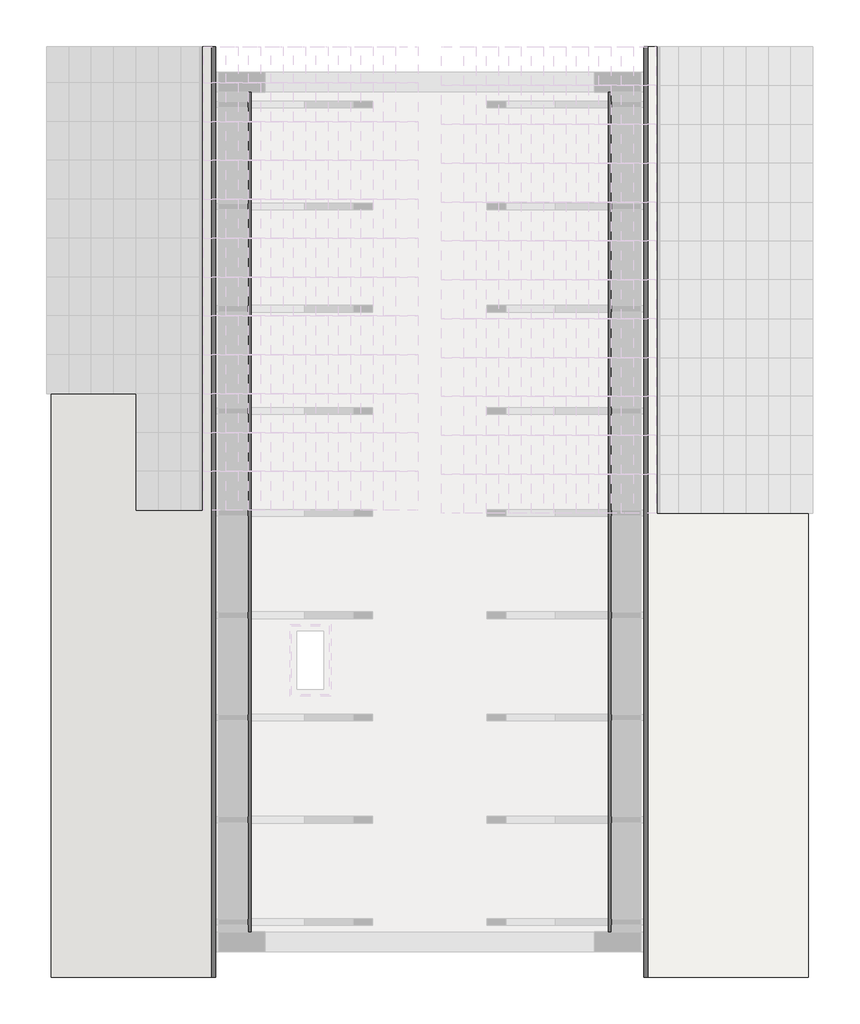
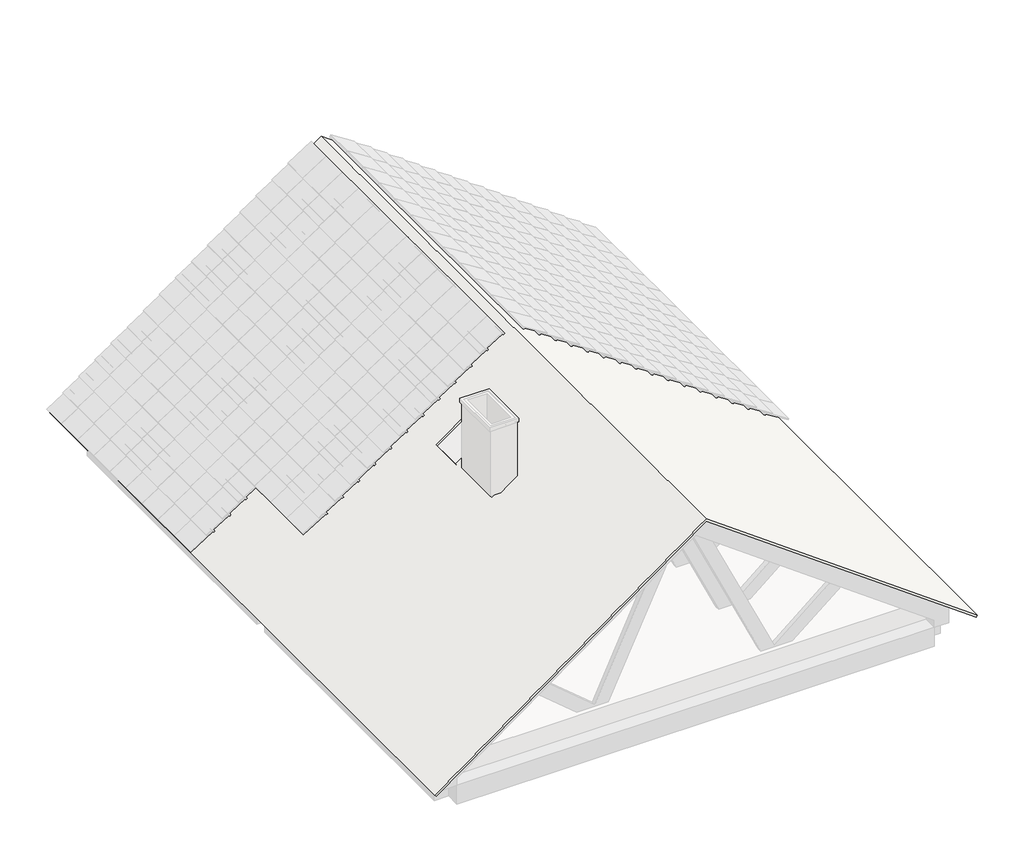
# One storey, part 7 of 9: 2 roofs.
"""IFC4 building model written with IfcOpenShell, lengths in millimetres."""

from ifc_helpers import new_model, si_unit, origin, place, context, project, spatial, faceted_brep, element, save

model = new_model("IFC4")

# Units and contexts
model_context = context("Model", 3, world=origin())
ifc_project = project(units=[si_unit("LENGTHUNIT", "METRE", prefix="MILLI")], contexts=[model_context])

# Site, building, storey
site = spatial("IfcSite", under=ifc_project)
building = spatial("IfcBuilding", under=site)
storey = spatial("IfcBuildingStorey", under=building, Elevation=5669.9999999)

# Roofs
placement = place(None, origin())
element("IfcRoof", 1, at=placement, inside=storey, context=model_context, shape_type="Brep", body=[
    faceted_brep([(2362.0727507, -3889.715237, 5669.9999999), (2362.0727507, -3889.715237, 5863.475928), (-657.9272493, -3889.715237, 8057.6343625), (-3677.9272493, -3889.715237, 5863.475928), (-3677.9272493, -3889.715237, 5669.9999999), (-3662.9272493, -3889.715237, 5669.9999999), (-3662.9272493, -3889.715237, 5855.8330462), (-3657.9272493, -3889.715237, 5859.4657589), (-3574.6090144, -3889.715237, 5919.9999999), (-657.9272493, -3889.715237, 8039.0933429), (2258.7545158, -3889.715237, 5919.9999999), (2342.0727507, -3889.715237, 5859.4657589), (2347.0727507, -3889.715237, 5855.8330462), (2347.0727507, -3889.715237, 5669.9999999), (2362.0727507, 3670.284763, 5863.475928), (2362.0727507, 3670.284763, 5669.9999999), (2347.0727507, 3670.284763, 5669.9999999), (2347.0727507, 3670.284763, 5855.8330462), (2342.0727507, 3670.284763, 5859.4657589), (2258.7545158, 3670.284763, 5919.9999999), (-657.9272493, 3670.284763, 8039.0933429), (-3574.6090144, 3670.284763, 5919.9999999), (-3657.9272493, 3670.284763, 5859.4657589), (-3662.9272493, 3670.284763, 5855.8330462), (-3662.9272493, 3670.284763, 5669.9999999), (-3677.9272493, 3670.284763, 5669.9999999), (-3677.9272493, 3670.284763, 5863.475928), (-657.9272493, 3670.284763, 8057.6343625), (2362.0727507, 3590.284763, 5863.475928), (2362.0727507, 3590.284763, 5729.9999999), (2362.0727507, 3530.284763, 5729.9999999), (2362.0727507, 3530.284763, 5863.475928), (2362.0727507, 2670.284763, 5863.475928), (2362.0727507, 2670.284763, 5729.9999999), (2362.0727507, 2610.284763, 5729.9999999), (2362.0727507, 2610.284763, 5863.475928), (2362.0727507, 1750.284763, 5863.475928), (2362.0727507, 1750.284763, 5729.9999999), (2362.0727507, 1690.284763, 5729.9999999), (2362.0727507, 1690.284763, 5863.475928), (2362.0727507, 830.284763, 5863.475928), (2362.0727507, 830.284763, 5729.9999999), (2362.0727507, 770.284763, 5729.9999999), (2362.0727507, 770.284763, 5863.475928), (2362.0727507, -89.715237, 5863.475928), (2362.0727507, -89.715237, 5729.9999999), (2362.0727507, -149.715237, 5729.9999999), (2362.0727507, -149.715237, 5863.475928), (2362.0727507, -1009.715237, 5863.475928), (2362.0727507, -1009.715237, 5729.9999999), (2362.0727507, -1069.715237, 5729.9999999), (2362.0727507, -1069.715237, 5863.475928), (2362.0727507, -1929.715237, 5863.475928), (2362.0727507, -1929.715237, 5729.9999999), (2362.0727507, -1989.715237, 5729.9999999), (2362.0727507, -1989.715237, 5863.475928), (2362.0727507, -2849.715237, 5863.475928), (2362.0727507, -2849.715237, 5729.9999999), (2362.0727507, -2909.715237, 5729.9999999), (2362.0727507, -2909.715237, 5863.475928), (2362.0727507, -3769.715237, 5863.475928), (2362.0727507, -3769.715237, 5729.9999999), (2362.0727507, -3829.715237, 5729.9999999), (2362.0727507, -3829.715237, 5863.475928), (2325.5654977, -3829.715237, 5889.9999999), (2325.5654977, -3769.715237, 5889.9999999), (2325.5654977, -2909.715237, 5889.9999999), (2325.5654977, -2849.715237, 5889.9999999), (2325.5654977, -1989.715237, 5889.9999999), (2325.5654977, -1929.715237, 5889.9999999), (2325.5654977, -1069.715237, 5889.9999999), (2325.5654977, -1009.715237, 5889.9999999), (2325.5654977, -149.715237, 5889.9999999), (2325.5654977, -89.715237, 5889.9999999), (2325.5654977, 770.284763, 5889.9999999), (2325.5654977, 830.284763, 5889.9999999), (2325.5654977, 1690.284763, 5889.9999999), (2325.5654977, 1750.284763, 5889.9999999), (2325.5654977, 2610.284763, 5889.9999999), (2325.5654977, 2670.284763, 5889.9999999), (2325.5654977, 3530.284763, 5889.9999999), (2325.5654977, 3590.284763, 5889.9999999), (-657.9272493, 3590.284763, 8057.6343625), (-453.6400094, 3590.284763, 7909.2109948), (-453.6400094, 3530.284763, 7909.2109948), (-657.9272493, 3530.284763, 8057.6343625), (-657.9272493, 2670.284763, 8057.6343625), (-453.6400094, 2670.284763, 7909.2109948), (-453.6400094, 2610.284763, 7909.2109948), (-657.9272493, 2610.284763, 8057.6343625), (-657.9272493, 1750.284763, 8057.6343625), (-453.6400094, 1750.284763, 7909.2109948), (-453.6400094, 1690.284763, 7909.2109948), (-657.9272493, 1690.284763, 8057.6343625), (-657.9272493, 830.284763, 8057.6343625), (-453.6400094, 830.284763, 7909.2109948), (-453.6400094, 770.284763, 7909.2109948), (-657.9272493, 770.284763, 8057.6343625), (-657.9272493, -89.715237, 8057.6343625), (-453.6400094, -89.715237, 7909.2109948), (-453.6400094, -149.715237, 7909.2109948), (-657.9272493, -149.715237, 8057.6343625), (-657.9272493, -1009.715237, 8057.6343625), (-453.6400094, -1009.715237, 7909.2109948), (-453.6400094, -1069.715237, 7909.2109948), (-657.9272493, -1069.715237, 8057.6343625), (-657.9272493, -1929.715237, 8057.6343625), (-453.6400094, -1929.715237, 7909.2109948), (-453.6400094, -1989.715237, 7909.2109948), (-657.9272493, -1989.715237, 8057.6343625), (-657.9272493, -2849.715237, 8057.6343625), (-453.6400094, -2849.715237, 7909.2109948), (-453.6400094, -2909.715237, 7909.2109948), (-657.9272493, -2909.715237, 8057.6343625), (-657.9272493, -3769.715237, 8057.6343625), (-453.6400094, -3769.715237, 7909.2109948), (-453.6400094, -3829.715237, 7909.2109948), (-657.9272493, -3829.715237, 8057.6343625), (1433.9232753, -2909.715237, 6537.8159942), (1300.5175785, -2909.715237, 6634.7409064), (1300.5175785, -2849.715237, 6634.7409064), (1433.9232753, -2849.715237, 6537.8159942), (1433.9232753, -3829.715237, 6537.8159942), (1300.5175785, -3829.715237, 6634.7409064), (1300.5175785, -3769.715237, 6634.7409064), (1433.9232753, -3769.715237, 6537.8159942), (1433.9232753, -1989.715237, 6537.8159942), (1300.5175785, -1989.715237, 6634.7409064), (1300.5175785, -1929.715237, 6634.7409064), (1433.9232753, -1929.715237, 6537.8159942), (1433.9232753, -1069.715237, 6537.8159942), (1300.5175785, -1069.715237, 6634.7409064), (1300.5175785, -1009.715237, 6634.7409064), (1433.9232753, -1009.715237, 6537.8159942), (1433.9232753, -149.715237, 6537.8159942), (1300.5175785, -149.715237, 6634.7409064), (1300.5175785, -89.715237, 6634.7409064), (1433.9232753, -89.715237, 6537.8159942), (1433.9232753, 770.284763, 6537.8159942), (1300.5175785, 770.284763, 6634.7409064), (1300.5175785, 830.284763, 6634.7409064), (1433.9232753, 830.284763, 6537.8159942), (1433.9232753, 1690.284763, 6537.8159942), (1300.5175785, 1690.284763, 6634.7409064), (1300.5175785, 1750.284763, 6634.7409064), (1433.9232753, 1750.284763, 6537.8159942), (1433.9232753, 2610.284763, 6537.8159942), (1300.5175785, 2610.284763, 6634.7409064), (1300.5175785, 2670.284763, 6634.7409064), (1433.9232753, 2670.284763, 6537.8159942), (1433.9232753, 3530.284763, 6537.8159942), (1300.5175785, 3530.284763, 6634.7409064), (1300.5175785, 3590.284763, 6634.7409064), (1433.9232753, 3590.284763, 6537.8159942), (-862.2144892, -3829.715237, 7909.2109948), (-862.2144892, -3769.715237, 7909.2109948), (-862.2144892, -2909.715237, 7909.2109948), (-862.2144892, -2849.715237, 7909.2109948), (-862.2144892, -1989.715237, 7909.2109948), (-862.2144892, -1929.715237, 7909.2109948), (-862.2144892, -1069.715237, 7909.2109948), (-862.2144892, -1009.715237, 7909.2109948), (-862.2144892, -149.715237, 7909.2109948), (-862.2144892, -89.715237, 7909.2109948), (-862.2144892, 770.284763, 7909.2109948), (-862.2144892, 830.284763, 7909.2109948), (-862.2144892, 1690.284763, 7909.2109948), (-862.2144892, 1750.284763, 7909.2109948), (-862.2144892, 2610.284763, 7909.2109948), (-862.2144892, 2670.284763, 7909.2109948), (-862.2144892, 3530.284763, 7909.2109948), (-862.2144892, 3590.284763, 7909.2109948), (-3677.9272493, 3590.284763, 5863.475928), (-3641.4199962, 3590.284763, 5889.9999999), (-3641.4199962, 3530.284763, 5889.9999999), (-3677.9272493, 3530.284763, 5863.475928), (-3677.9272493, 2670.284763, 5863.475928), (-3641.4199962, 2670.284763, 5889.9999999), (-3641.4199962, 2610.284763, 5889.9999999), (-3677.9272493, 2610.284763, 5863.475928), (-3677.9272493, 1750.284763, 5863.475928), (-3641.4199962, 1750.284763, 5889.9999999), (-3641.4199962, 1690.284763, 5889.9999999), (-3677.9272493, 1690.284763, 5863.475928), (-3677.9272493, 830.284763, 5863.475928), (-3641.4199962, 830.284763, 5889.9999999), (-3641.4199962, 770.284763, 5889.9999999), (-3677.9272493, 770.284763, 5863.475928), (-3677.9272493, -89.715237, 5863.475928), (-3641.4199962, -89.715237, 5889.9999999), (-3641.4199962, -149.715237, 5889.9999999), (-3677.9272493, -149.715237, 5863.475928), (-3677.9272493, -1009.715237, 5863.475928), (-3641.4199962, -1009.715237, 5889.9999999), (-3641.4199962, -1069.715237, 5889.9999999), (-3677.9272493, -1069.715237, 5863.475928), (-3677.9272493, -1929.715237, 5863.475928), (-3641.4199962, -1929.715237, 5889.9999999), (-3641.4199962, -1989.715237, 5889.9999999), (-3677.9272493, -1989.715237, 5863.475928), (-3677.9272493, -2849.715237, 5863.475928), (-3641.4199962, -2849.715237, 5889.9999999), (-3641.4199962, -2909.715237, 5889.9999999), (-3677.9272493, -2909.715237, 5863.475928), (-3677.9272493, -3769.715237, 5863.475928), (-3641.4199962, -3769.715237, 5889.9999999), (-3641.4199962, -3829.715237, 5889.9999999), (-3677.9272493, -3829.715237, 5863.475928), (-1852.9272492, -1184.7138206, 7189.4160416), (-1612.9272492, -1184.7138206, 7363.7862483), (-1612.9272492, -1704.7138206, 7363.7862483), (-1852.9272492, -1704.7138206, 7189.4160416), (-2616.372077, -2909.715237, 6634.7409064), (-2749.7777739, -2909.715237, 6537.8159942), (-2749.7777739, -2849.715237, 6537.8159942), (-2616.372077, -2849.715237, 6634.7409064), (-2616.372077, -3829.715237, 6634.7409064), (-2749.7777739, -3829.715237, 6537.8159942), (-2749.7777739, -3769.715237, 6537.8159942), (-2616.372077, -3769.715237, 6634.7409064), (-2616.372077, -1989.715237, 6634.7409064), (-2749.7777739, -1989.715237, 6537.8159942), (-2749.7777739, -1929.715237, 6537.8159942), (-2616.372077, -1929.715237, 6634.7409064), (-2616.372077, -1069.715237, 6634.7409064), (-2749.7777739, -1069.715237, 6537.8159942), (-2749.7777739, -1009.715237, 6537.8159942), (-2616.372077, -1009.715237, 6634.7409064), (-2616.372077, -149.715237, 6634.7409064), (-2749.7777739, -149.715237, 6537.8159942), (-2749.7777739, -89.715237, 6537.8159942), (-2616.372077, -89.715237, 6634.7409064), (-2616.372077, 770.284763, 6634.7409064), (-2749.7777739, 770.284763, 6537.8159942), (-2749.7777739, 830.284763, 6537.8159942), (-2616.372077, 830.284763, 6634.7409064), (-2616.372077, 1690.284763, 6634.7409064), (-2749.7777739, 1690.284763, 6537.8159942), (-2749.7777739, 1750.284763, 6537.8159942), (-2616.372077, 1750.284763, 6634.7409064), (-2616.372077, 2610.284763, 6634.7409064), (-2749.7777739, 2610.284763, 6537.8159942), (-2749.7777739, 2670.284763, 6537.8159942), (-2616.372077, 2670.284763, 6634.7409064), (-2616.372077, 3530.284763, 6634.7409064), (-2749.7777739, 3530.284763, 6537.8159942), (-2749.7777739, 3590.284763, 6537.8159942), (-2616.372077, 3590.284763, 6634.7409064), (-3677.9272493, -3829.715237, 5729.9999999), (-3677.9272493, -3769.715237, 5729.9999999), (-3677.9272493, -2909.715237, 5729.9999999), (-3677.9272493, -2849.715237, 5729.9999999), (-3677.9272493, -1989.715237, 5729.9999999), (-3677.9272493, -1929.715237, 5729.9999999), (-3677.9272493, -1069.715237, 5729.9999999), (-3677.9272493, -1009.715237, 5729.9999999), (-3677.9272493, -149.715237, 5729.9999999), (-3677.9272493, -89.715237, 5729.9999999), (-3677.9272493, 770.284763, 5729.9999999), (-3677.9272493, 830.284763, 5729.9999999), (-3677.9272493, 1690.284763, 5729.9999999), (-3677.9272493, 1750.284763, 5729.9999999), (-3677.9272493, 2610.284763, 5729.9999999), (-3677.9272493, 2670.284763, 5729.9999999), (-3677.9272493, 3530.284763, 5729.9999999), (-3677.9272493, 3590.284763, 5729.9999999), (-3662.9272493, 3590.284763, 5855.8330462), (-3662.9272493, 3590.284763, 5729.9999999), (-3662.9272493, 3530.284763, 5729.9999999), (-3662.9272493, 3530.284763, 5855.8330462), (-3662.9272493, 2670.284763, 5855.8330462), (-3662.9272493, 2670.284763, 5729.9999999), (-3662.9272493, 2610.284763, 5729.9999999), (-3662.9272493, 2610.284763, 5855.8330462), (-3662.9272493, 1750.284763, 5855.8330462), (-3662.9272493, 1750.284763, 5729.9999999), (-3662.9272493, 1690.284763, 5729.9999999), (-3662.9272493, 1690.284763, 5855.8330462), (-3662.9272493, 830.284763, 5855.8330462), (-3662.9272493, 830.284763, 5729.9999999), (-3662.9272493, 770.284763, 5729.9999999), (-3662.9272493, 770.284763, 5855.8330462), (-3662.9272493, -89.715237, 5855.8330462), (-3662.9272493, -89.715237, 5729.9999999), (-3662.9272493, -149.715237, 5729.9999999), (-3662.9272493, -149.715237, 5855.8330462), (-3662.9272493, -1009.715237, 5855.8330462), (-3662.9272493, -1009.715237, 5729.9999999), (-3662.9272493, -1069.715237, 5729.9999999), (-3662.9272493, -1069.715237, 5855.8330462), (-3662.9272493, -1929.715237, 5855.8330462), (-3662.9272493, -1929.715237, 5729.9999999), (-3662.9272493, -1989.715237, 5729.9999999), (-3662.9272493, -1989.715237, 5855.8330462), (-3662.9272493, -2849.715237, 5855.8330462), (-3662.9272493, -2849.715237, 5729.9999999), (-3662.9272493, -2909.715237, 5729.9999999), (-3662.9272493, -2909.715237, 5855.8330462), (-3662.9272493, -3769.715237, 5855.8330462), (-3662.9272493, -3769.715237, 5729.9999999), (-3662.9272493, -3829.715237, 5729.9999999), (-3662.9272493, -3829.715237, 5855.8330462), (-3657.9272493, -3829.715237, 5859.4657589), (-3615.900472, -3829.715237, 5889.9999999), (-3615.900472, -3769.715237, 5889.9999999), (-3657.9272493, -3769.715237, 5859.4657589), (-3657.9272493, -2909.715237, 5859.4657589), (-3615.900472, -2909.715237, 5889.9999999), (-3615.900472, -2849.715237, 5889.9999999), (-3657.9272493, -2849.715237, 5859.4657589), (-3657.9272493, -1989.715237, 5859.4657589), (-3615.900472, -1989.715237, 5889.9999999), (-3615.900472, -1929.715237, 5889.9999999), (-3657.9272493, -1929.715237, 5859.4657589), (-3657.9272493, -1069.715237, 5859.4657589), (-3615.900472, -1069.715237, 5889.9999999), (-3615.900472, -1009.715237, 5889.9999999), (-3657.9272493, -1009.715237, 5859.4657589), (-3657.9272493, -149.715237, 5859.4657589), (-3615.900472, -149.715237, 5889.9999999), (-3615.900472, -89.715237, 5889.9999999), (-3657.9272493, -89.715237, 5859.4657589), (-3657.9272493, 770.284763, 5859.4657589), (-3615.900472, 770.284763, 5889.9999999), (-3615.900472, 830.284763, 5889.9999999), (-3657.9272493, 830.284763, 5859.4657589), (-3657.9272493, 1690.284763, 5859.4657589), (-3615.900472, 1690.284763, 5889.9999999), (-3615.900472, 1750.284763, 5889.9999999), (-3657.9272493, 1750.284763, 5859.4657589), (-3657.9272493, 2610.284763, 5859.4657589), (-3615.900472, 2610.284763, 5889.9999999), (-3615.900472, 2670.284763, 5889.9999999), (-3657.9272493, 2670.284763, 5859.4657589), (-3657.9272493, 3530.284763, 5859.4657589), (-3615.900472, 3530.284763, 5889.9999999), (-3615.900472, 3590.284763, 5889.9999999), (-3657.9272493, 3590.284763, 5859.4657589), (-657.9272493, 3590.284763, 8039.0933429), (-875.3953967, 3590.284763, 7881.0934853), (-875.3953967, 3530.284763, 7881.0934853), (-657.9272493, 3530.284763, 8039.0933429), (-657.9272493, 2670.284763, 8039.0933429), (-875.3953967, 2670.284763, 7881.0934853), (-875.3953967, 2610.284763, 7881.0934853), (-657.9272493, 2610.284763, 8039.0933429), (-657.9272493, 1750.284763, 8039.0933429), (-875.3953967, 1750.284763, 7881.0934853), (-875.3953967, 1690.284763, 7881.0934853), (-657.9272493, 1690.284763, 8039.0933429), (-657.9272493, 830.284763, 8039.0933429), (-875.3953967, 830.284763, 7881.0934853), (-875.3953967, 770.284763, 7881.0934853), (-657.9272493, 770.284763, 8039.0933429), (-657.9272493, -89.715237, 8039.0933429), (-875.3953967, -89.715237, 7881.0934853), (-875.3953967, -149.715237, 7881.0934853), (-657.9272493, -149.715237, 8039.0933429), (-657.9272493, -1009.715237, 8039.0933429), (-875.3953967, -1009.715237, 7881.0934853), (-875.3953967, -1069.715237, 7881.0934853), (-657.9272493, -1069.715237, 8039.0933429), (-657.9272493, -1929.715237, 8039.0933429), (-875.3953967, -1929.715237, 7881.0934853), (-875.3953967, -1989.715237, 7881.0934853), (-657.9272493, -1989.715237, 8039.0933429), (-657.9272493, -2849.715237, 8039.0933429), (-875.3953967, -2849.715237, 7881.0934853), (-875.3953967, -2909.715237, 7881.0934853), (-657.9272493, -2909.715237, 8039.0933429), (-657.9272493, -3769.715237, 8039.0933429), (-875.3953967, -3769.715237, 7881.0934853), (-875.3953967, -3829.715237, 7881.0934853), (-657.9272493, -3829.715237, 8039.0933429), (-1612.9272492, -1184.7138206, 7345.2452287), (-1852.9272492, -1184.7138206, 7170.875022), (-1852.9272492, -1704.7138206, 7170.875022), (-1612.9272492, -1704.7138206, 7345.2452287), (-2737.935233, -2909.715237, 6527.8790841), (-2604.5295362, -2909.715237, 6624.8039963), (-2604.5295362, -2849.715237, 6624.8039963), (-2737.935233, -2849.715237, 6527.8790841), (-2737.935233, -3829.715237, 6527.8790841), (-2604.5295362, -3829.715237, 6624.8039963), (-2604.5295362, -3769.715237, 6624.8039963), (-2737.935233, -3769.715237, 6527.8790841), (-2737.935233, -1989.715237, 6527.8790841), (-2604.5295362, -1989.715237, 6624.8039963), (-2604.5295362, -1929.715237, 6624.8039963), (-2737.935233, -1929.715237, 6527.8790841), (-2737.935233, -1069.715237, 6527.8790841), (-2604.5295362, -1069.715237, 6624.8039963), (-2604.5295362, -1009.715237, 6624.8039963), (-2737.935233, -1009.715237, 6527.8790841), (-2737.935233, -149.715237, 6527.8790841), (-2604.5295362, -149.715237, 6624.8039963), (-2604.5295362, -89.715237, 6624.8039963), (-2737.935233, -89.715237, 6527.8790841), (-2737.935233, 770.284763, 6527.8790841), (-2604.5295362, 770.284763, 6624.8039963), (-2604.5295362, 830.284763, 6624.8039963), (-2737.935233, 830.284763, 6527.8790841), (-2737.935233, 1690.284763, 6527.8790841), (-2604.5295362, 1690.284763, 6624.8039963), (-2604.5295362, 1750.284763, 6624.8039963), (-2737.935233, 1750.284763, 6527.8790841), (-2737.935233, 2610.284763, 6527.8790841), (-2604.5295362, 2610.284763, 6624.8039963), (-2604.5295362, 2670.284763, 6624.8039963), (-2737.935233, 2670.284763, 6527.8790841), (-2737.935233, 3530.284763, 6527.8790841), (-2604.5295362, 3530.284763, 6624.8039963), (-2604.5295362, 3590.284763, 6624.8039963), (-2737.935233, 3590.284763, 6527.8790841), (-440.4591019, -3829.715237, 7881.0934853), (-440.4591019, -3769.715237, 7881.0934853), (-440.4591019, -2909.715237, 7881.0934853), (-440.4591019, -2849.715237, 7881.0934853), (-440.4591019, -1989.715237, 7881.0934853), (-440.4591019, -1929.715237, 7881.0934853), (-440.4591019, -1069.715237, 7881.0934853), (-440.4591019, -1009.715237, 7881.0934853), (-440.4591019, -149.715237, 7881.0934853), (-440.4591019, -89.715237, 7881.0934853), (-440.4591019, 770.284763, 7881.0934853), (-440.4591019, 830.284763, 7881.0934853), (-440.4591019, 1690.284763, 7881.0934853), (-440.4591019, 1750.284763, 7881.0934853), (-440.4591019, 2610.284763, 7881.0934853), (-440.4591019, 2670.284763, 7881.0934853), (-440.4591019, 3530.284763, 7881.0934853), (-440.4591019, 3590.284763, 7881.0934853), (2347.0727507, 3590.284763, 5855.8330462), (2342.0727507, 3590.284763, 5859.4657589), (2300.0459734, 3590.284763, 5889.9999999), (2300.0459734, 3530.284763, 5889.9999999), (2342.0727507, 3530.284763, 5859.4657589), (2347.0727507, 3530.284763, 5855.8330462), (2347.0727507, 2670.284763, 5855.8330462), (2342.0727507, 2670.284763, 5859.4657589), (2300.0459734, 2670.284763, 5889.9999999), (2300.0459734, 2610.284763, 5889.9999999), (2342.0727507, 2610.284763, 5859.4657589), (2347.0727507, 2610.284763, 5855.8330462), (2347.0727507, 1750.284763, 5855.8330462), (2342.0727507, 1750.284763, 5859.4657589), (2300.0459734, 1750.284763, 5889.9999999), (2300.0459734, 1690.284763, 5889.9999999), (2342.0727507, 1690.284763, 5859.4657589), (2347.0727507, 1690.284763, 5855.8330462), (2347.0727507, 830.284763, 5855.8330462), (2342.0727507, 830.284763, 5859.4657589), (2300.0459734, 830.284763, 5889.9999999), (2300.0459734, 770.284763, 5889.9999999), (2342.0727507, 770.284763, 5859.4657589), (2347.0727507, 770.284763, 5855.8330462), (2347.0727507, -89.715237, 5855.8330462), (2342.0727507, -89.715237, 5859.4657589), (2300.0459734, -89.715237, 5889.9999999), (2300.0459734, -149.715237, 5889.9999999), (2342.0727507, -149.715237, 5859.4657589), (2347.0727507, -149.715237, 5855.8330462), (2347.0727507, -1009.715237, 5855.8330462), (2342.0727507, -1009.715237, 5859.4657589), (2300.0459734, -1009.715237, 5889.9999999), (2300.0459734, -1069.715237, 5889.9999999), (2342.0727507, -1069.715237, 5859.4657589), (2347.0727507, -1069.715237, 5855.8330462), (2347.0727507, -1929.715237, 5855.8330462), (2342.0727507, -1929.715237, 5859.4657589), (2300.0459734, -1929.715237, 5889.9999999), (2300.0459734, -1989.715237, 5889.9999999), (2342.0727507, -1989.715237, 5859.4657589), (2347.0727507, -1989.715237, 5855.8330462), (2347.0727507, -2849.715237, 5855.8330462), (2342.0727507, -2849.715237, 5859.4657589), (2300.0459734, -2849.715237, 5889.9999999), (2300.0459734, -2909.715237, 5889.9999999), (2342.0727507, -2909.715237, 5859.4657589), (2347.0727507, -2909.715237, 5855.8330462), (2347.0727507, -3769.715237, 5855.8330462), (2342.0727507, -3769.715237, 5859.4657589), (2300.0459734, -3769.715237, 5889.9999999), (2300.0459734, -3829.715237, 5889.9999999), (2342.0727507, -3829.715237, 5859.4657589), (2347.0727507, -3829.715237, 5855.8330462), (1288.6750376, -2909.715237, 6624.8039963), (1422.0807344, -2909.715237, 6527.8790841), (1422.0807344, -2849.715237, 6527.8790841), (1288.6750376, -2849.715237, 6624.8039963), (1288.6750376, -3829.715237, 6624.8039963), (1422.0807344, -3829.715237, 6527.8790841), (1422.0807344, -3769.715237, 6527.8790841), (1288.6750376, -3769.715237, 6624.8039963), (1288.6750376, -1989.715237, 6624.8039963), (1422.0807344, -1989.715237, 6527.8790841), (1422.0807344, -1929.715237, 6527.8790841), (1288.6750376, -1929.715237, 6624.8039963), (1288.6750376, -1069.715237, 6624.8039963), (1422.0807344, -1069.715237, 6527.8790841), (1422.0807344, -1009.715237, 6527.8790841), (1288.6750376, -1009.715237, 6624.8039963), (1288.6750376, -149.715237, 6624.8039963), (1422.0807344, -149.715237, 6527.8790841), (1422.0807344, -89.715237, 6527.8790841), (1288.6750376, -89.715237, 6624.8039963), (1288.6750376, 770.284763, 6624.8039963), (1422.0807344, 770.284763, 6527.8790841), (1422.0807344, 830.284763, 6527.8790841), (1288.6750376, 830.284763, 6624.8039963), (1288.6750376, 1690.284763, 6624.8039963), (1422.0807344, 1690.284763, 6527.8790841), (1422.0807344, 1750.284763, 6527.8790841), (1288.6750376, 1750.284763, 6624.8039963), (1288.6750376, 2610.284763, 6624.8039963), (1422.0807344, 2610.284763, 6527.8790841), (1422.0807344, 2670.284763, 6527.8790841), (1288.6750376, 2670.284763, 6624.8039963), (1288.6750376, 3530.284763, 6624.8039963), (1422.0807344, 3530.284763, 6527.8790841), (1422.0807344, 3590.284763, 6527.8790841), (1288.6750376, 3590.284763, 6624.8039963), (2347.0727507, -3829.715237, 5729.9999999), (2347.0727507, -3769.715237, 5729.9999999), (2347.0727507, -2909.715237, 5729.9999999), (2347.0727507, -2849.715237, 5729.9999999), (2347.0727507, -1989.715237, 5729.9999999), (2347.0727507, -1929.715237, 5729.9999999), (2347.0727507, -1069.715237, 5729.9999999), (2347.0727507, -1009.715237, 5729.9999999), (2347.0727507, -149.715237, 5729.9999999), (2347.0727507, -89.715237, 5729.9999999), (2347.0727507, 770.284763, 5729.9999999), (2347.0727507, 830.284763, 5729.9999999), (2347.0727507, 1690.284763, 5729.9999999), (2347.0727507, 1750.284763, 5729.9999999), (2347.0727507, 2610.284763, 5729.9999999), (2347.0727507, 2670.284763, 5729.9999999), (2347.0727507, 3530.284763, 5729.9999999), (2347.0727507, 3590.284763, 5729.9999999)], [[[0, 1, 2, 3, 4, 5, 6, 7, 8, 9, 10, 11, 12, 13]], [[14, 15, 16, 17, 18, 19, 20, 21, 22, 23, 24, 25, 26, 27]], [[1, 0, 15, 14, 28, 29, 30, 31, 32, 33, 34, 35, 36, 37, 38, 39, 40, 41, 42, 43, 44, 45, 46, 47, 48, 49, 50, 51, 52, 53, 54, 55, 56, 57, 58, 59, 60, 61, 62, 63]], [[2, 1, 63, 64, 65, 60, 59, 66, 67, 56, 55, 68, 69, 52, 51, 70, 71, 48, 47, 72, 73, 44, 43, 74, 75, 40, 39, 76, 77, 36, 35, 78, 79, 32, 31, 80, 81, 28, 14, 27, 82, 83, 84, 85, 86, 87, 88, 89, 90, 91, 92, 93, 94, 95, 96, 97, 98, 99, 100, 101, 102, 103, 104, 105, 106, 107, 108, 109, 110, 111, 112, 113, 114, 115, 116, 117], [118, 119, 120, 121], [122, 123, 124, 125], [126, 127, 128, 129], [130, 131, 132, 133], [134, 135, 136, 137], [138, 139, 140, 141], [142, 143, 144, 145], [146, 147, 148, 149], [150, 151, 152, 153]], [[3, 2, 117, 154, 155, 114, 113, 156, 157, 110, 109, 158, 159, 106, 105, 160, 161, 102, 101, 162, 163, 98, 97, 164, 165, 94, 93, 166, 167, 90, 89, 168, 169, 86, 85, 170, 171, 82, 27, 26, 172, 173, 174, 175, 176, 177, 178, 179, 180, 181, 182, 183, 184, 185, 186, 187, 188, 189, 190, 191, 192, 193, 194, 195, 196, 197, 198, 199, 200, 201, 202, 203, 204, 205, 206, 207], [208, 209, 210, 211], [212, 213, 214, 215], [216, 217, 218, 219], [220, 221, 222, 223], [224, 225, 226, 227], [228, 229, 230, 231], [232, 233, 234, 235], [236, 237, 238, 239], [240, 241, 242, 243], [244, 245, 246, 247]], [[4, 3, 207, 248, 249, 204, 203, 250, 251, 200, 199, 252, 253, 196, 195, 254, 255, 192, 191, 256, 257, 188, 187, 258, 259, 184, 183, 260, 261, 180, 179, 262, 263, 176, 175, 264, 265, 172, 26, 25]], [[5, 4, 25, 24]], [[6, 5, 24, 23, 266, 267, 268, 269, 270, 271, 272, 273, 274, 275, 276, 277, 278, 279, 280, 281, 282, 283, 284, 285, 286, 287, 288, 289, 290, 291, 292, 293, 294, 295, 296, 297, 298, 299, 300, 301]], [[9, 8, 7, 6, 301, 302, 303, 304, 305, 298, 297, 306, 307, 308, 309, 294, 293, 310, 311, 312, 313, 290, 289, 314, 315, 316, 317, 286, 285, 318, 319, 320, 321, 282, 281, 322, 323, 324, 325, 278, 277, 326, 327, 328, 329, 274, 273, 330, 331, 332, 333, 270, 269, 334, 335, 336, 337, 266, 23, 22, 21, 20, 338, 339, 340, 341, 342, 343, 344, 345, 346, 347, 348, 349, 350, 351, 352, 353, 354, 355, 356, 357, 358, 359, 360, 361, 362, 363, 364, 365, 366, 367, 368, 369, 370, 371, 372, 373], [374, 375, 376, 377], [378, 379, 380, 381], [382, 383, 384, 385], [386, 387, 388, 389], [390, 391, 392, 393], [394, 395, 396, 397], [398, 399, 400, 401], [402, 403, 404, 405], [406, 407, 408, 409], [410, 411, 412, 413]], [[12, 11, 10, 9, 373, 414, 415, 370, 369, 416, 417, 366, 365, 418, 419, 362, 361, 420, 421, 358, 357, 422, 423, 354, 353, 424, 425, 350, 349, 426, 427, 346, 345, 428, 429, 342, 341, 430, 431, 338, 20, 19, 18, 17, 432, 433, 434, 435, 436, 437, 438, 439, 440, 441, 442, 443, 444, 445, 446, 447, 448, 449, 450, 451, 452, 453, 454, 455, 456, 457, 458, 459, 460, 461, 462, 463, 464, 465, 466, 467, 468, 469, 470, 471, 472, 473, 474, 475, 476, 477, 478, 479, 480, 481, 482, 483, 484, 485], [486, 487, 488, 489], [490, 491, 492, 493], [494, 495, 496, 497], [498, 499, 500, 501], [502, 503, 504, 505], [506, 507, 508, 509], [510, 511, 512, 513], [514, 515, 516, 517], [518, 519, 520, 521]], [[13, 12, 485, 522, 523, 480, 479, 524, 525, 474, 473, 526, 527, 468, 467, 528, 529, 462, 461, 530, 531, 456, 455, 532, 533, 450, 449, 534, 535, 444, 443, 536, 537, 438, 437, 538, 539, 432, 17, 16]], [[0, 13, 16, 15]], [[202, 307, 306, 297, 296, 250, 203]], [[477, 66, 59, 58, 524, 479, 478]], [[251, 295, 294, 309, 308, 201, 200]], [[525, 57, 56, 67, 476, 475, 474]], [[250, 296, 295, 251]], [[524, 58, 57, 525]], [[307, 202, 201, 308]], [[66, 477, 476, 67]], [[206, 303, 302, 301, 300, 248, 207]], [[483, 64, 63, 62, 522, 485, 484]], [[249, 299, 298, 305, 304, 205, 204]], [[523, 61, 60, 65, 482, 481, 480]], [[248, 300, 299, 249]], [[522, 62, 61, 523]], [[303, 206, 205, 304]], [[64, 483, 482, 65]], [[198, 311, 310, 293, 292, 252, 199]], [[471, 68, 55, 54, 526, 473, 472]], [[253, 291, 290, 313, 312, 197, 196]], [[527, 53, 52, 69, 470, 469, 468]], [[252, 292, 291, 253]], [[526, 54, 53, 527]], [[311, 198, 197, 312]], [[68, 471, 470, 69]], [[194, 315, 314, 289, 288, 254, 195]], [[465, 70, 51, 50, 528, 467, 466]], [[255, 287, 286, 317, 316, 193, 192]], [[529, 49, 48, 71, 464, 463, 462]], [[254, 288, 287, 255]], [[528, 50, 49, 529]], [[315, 194, 193, 316]], [[70, 465, 464, 71]], [[190, 319, 318, 285, 284, 256, 191]], [[459, 72, 47, 46, 530, 461, 460]], [[257, 283, 282, 321, 320, 189, 188]], [[531, 45, 44, 73, 458, 457, 456]], [[256, 284, 283, 257]], [[530, 46, 45, 531]], [[319, 190, 189, 320]], [[72, 459, 458, 73]], [[186, 323, 322, 281, 280, 258, 187]], [[453, 74, 43, 42, 532, 455, 454]], [[259, 279, 278, 325, 324, 185, 184]], [[533, 41, 40, 75, 452, 451, 450]], [[258, 280, 279, 259]], [[532, 42, 41, 533]], [[323, 186, 185, 324]], [[74, 453, 452, 75]], [[182, 327, 326, 277, 276, 260, 183]], [[447, 76, 39, 38, 534, 449, 448]], [[261, 275, 274, 329, 328, 181, 180]], [[535, 37, 36, 77, 446, 445, 444]], [[260, 276, 275, 261]], [[534, 38, 37, 535]], [[327, 182, 181, 328]], [[76, 447, 446, 77]], [[178, 331, 330, 273, 272, 262, 179]], [[441, 78, 35, 34, 536, 443, 442]], [[263, 271, 270, 333, 332, 177, 176]], [[537, 33, 32, 79, 440, 439, 438]], [[262, 272, 271, 263]], [[536, 34, 33, 537]], [[331, 178, 177, 332]], [[78, 441, 440, 79]], [[174, 335, 334, 269, 268, 264, 175]], [[435, 80, 31, 30, 538, 437, 436]], [[265, 267, 266, 337, 336, 173, 172]], [[539, 29, 28, 81, 434, 433, 432]], [[264, 268, 267, 265]], [[538, 30, 29, 539]], [[335, 174, 173, 336]], [[80, 435, 434, 81]], [[374, 209, 208, 375]], [[375, 208, 211, 376]], [[376, 211, 210, 377]], [[209, 374, 377, 210]], [[118, 487, 486, 119]], [[368, 156, 113, 112, 416, 369]], [[212, 379, 378, 213]], [[120, 489, 488, 121]], [[214, 381, 380, 215]], [[157, 367, 366, 417, 111, 110]], [[213, 378, 381, 214]], [[156, 368, 367, 157]], [[379, 212, 215, 380]], [[487, 118, 121, 488]], [[416, 112, 111, 417]], [[119, 486, 489, 120]], [[122, 491, 490, 123]], [[372, 154, 117, 116, 414, 373]], [[216, 383, 382, 217]], [[124, 493, 492, 125]], [[218, 385, 384, 219]], [[155, 371, 370, 415, 115, 114]], [[217, 382, 385, 218]], [[154, 372, 371, 155]], [[383, 216, 219, 384]], [[491, 122, 125, 492]], [[414, 116, 115, 415]], [[123, 490, 493, 124]], [[126, 495, 494, 127]], [[364, 158, 109, 108, 418, 365]], [[220, 387, 386, 221]], [[128, 497, 496, 129]], [[222, 389, 388, 223]], [[159, 363, 362, 419, 107, 106]], [[221, 386, 389, 222]], [[158, 364, 363, 159]], [[387, 220, 223, 388]], [[495, 126, 129, 496]], [[418, 108, 107, 419]], [[127, 494, 497, 128]], [[130, 499, 498, 131]], [[360, 160, 105, 104, 420, 361]], [[224, 391, 390, 225]], [[132, 501, 500, 133]], [[226, 393, 392, 227]], [[161, 359, 358, 421, 103, 102]], [[225, 390, 393, 226]], [[160, 360, 359, 161]], [[391, 224, 227, 392]], [[499, 130, 133, 500]], [[420, 104, 103, 421]], [[131, 498, 501, 132]], [[134, 503, 502, 135]], [[356, 162, 101, 100, 422, 357]], [[228, 395, 394, 229]], [[136, 505, 504, 137]], [[230, 397, 396, 231]], [[163, 355, 354, 423, 99, 98]], [[229, 394, 397, 230]], [[162, 356, 355, 163]], [[395, 228, 231, 396]], [[503, 134, 137, 504]], [[422, 100, 99, 423]], [[135, 502, 505, 136]], [[138, 507, 506, 139]], [[352, 164, 97, 96, 424, 353]], [[232, 399, 398, 233]], [[140, 509, 508, 141]], [[234, 401, 400, 235]], [[165, 351, 350, 425, 95, 94]], [[233, 398, 401, 234]], [[164, 352, 351, 165]], [[399, 232, 235, 400]], [[507, 138, 141, 508]], [[424, 96, 95, 425]], [[139, 506, 509, 140]], [[142, 511, 510, 143]], [[348, 166, 93, 92, 426, 349]], [[236, 403, 402, 237]], [[144, 513, 512, 145]], [[238, 405, 404, 239]], [[167, 347, 346, 427, 91, 90]], [[237, 402, 405, 238]], [[166, 348, 347, 167]], [[403, 236, 239, 404]], [[511, 142, 145, 512]], [[426, 92, 91, 427]], [[143, 510, 513, 144]], [[146, 515, 514, 147]], [[344, 168, 89, 88, 428, 345]], [[240, 407, 406, 241]], [[148, 517, 516, 149]], [[242, 409, 408, 243]], [[169, 343, 342, 429, 87, 86]], [[241, 406, 409, 242]], [[168, 344, 343, 169]], [[407, 240, 243, 408]], [[515, 146, 149, 516]], [[428, 88, 87, 429]], [[147, 514, 517, 148]], [[150, 519, 518, 151]], [[340, 170, 85, 84, 430, 341]], [[244, 411, 410, 245]], [[152, 521, 520, 153]], [[246, 413, 412, 247]], [[171, 339, 338, 431, 83, 82]], [[245, 410, 413, 246]], [[170, 340, 339, 171]], [[411, 244, 247, 412]], [[519, 150, 153, 520]], [[430, 84, 83, 431]], [[151, 518, 521, 152]]]),
])
element("IfcRoof", 2, at=placement, inside=storey, context=model_context, shape_type="Brep", body=[
    faceted_brep([(-657.9272493, -4299.715237, 8270.5203755), (-4053.232618, -4299.715237, 5803.6866296), (-4053.232618, 4080.284763, 5803.6866296), (-657.9272493, 4080.284763, 8270.5203755), (-1612.9272492, -1184.7138206, 7576.6722614), (-1852.9272492, -1184.7138206, 7402.3020546), (-1852.9272492, -1704.7138206, 7402.3020546), (-1612.9272492, -1704.7138206, 7576.6722614), (-1512.2839503, -525.2616716, 7649.7938982), (-1754.9890486, -525.2616716, 7473.4583225), (-1856.1161729, -525.2616716, 7399.985166), (-1856.1161729, -935.2616716, 7399.985166), (-1754.9890486, -935.2616716, 7473.4583225), (-1512.2839503, -935.2616716, 7649.7938982), (-1411.156826, -935.2616716, 7723.2670548), (-1411.156826, -525.2616716, 7723.2670548), (2737.3781194, 4080.284763, 5803.6866296), (2737.3781194, -4299.715237, 5803.6866296), (-4067.9272493, -4299.715237, 5823.9120545), (-657.9272493, -4299.715237, 8301.422075), (-657.9272493, 4080.284763, 8301.422075), (-4067.9272493, 4080.284763, 5823.9120545), (-1852.9272492, -1184.7138206, 7433.2037541), (-1612.9272492, -1184.7138206, 7607.5739608), (-1612.9272492, -1704.7138206, 7607.5739608), (-1852.9272492, -1704.7138206, 7433.2037541), (-1870.8108042, -525.2616716, 7420.2105909), (-1425.8514573, -525.2616716, 7743.4924796), (-1425.8514573, -935.2616716, 7743.4924796), (-1870.8108042, -935.2616716, 7420.2105909), (2752.0727507, -4299.715237, 5823.9120545), (2752.0727507, 4080.284763, 5823.9120545)], [[[0, 1, 2, 3], [4, 5, 6, 7], [8, 9, 10, 11, 12, 13, 14, 15]], [[0, 3, 16, 17]], [[18, 19, 20, 21], [22, 23, 24, 25], [26, 27, 28, 29]], [[20, 19, 30, 31]], [[1, 0, 17, 30, 19, 18]], [[3, 2, 21, 20, 31, 16]], [[17, 16, 31, 30]], [[2, 1, 18, 21]], [[4, 23, 22, 5]], [[5, 22, 25, 6]], [[6, 25, 24, 7]], [[23, 4, 7, 24]], [[15, 27, 26, 10, 9, 8]], [[11, 29, 28, 14, 13, 12]], [[27, 15, 14, 28]], [[10, 26, 29, 11]]]),
])

save(model, "model.ifc")
